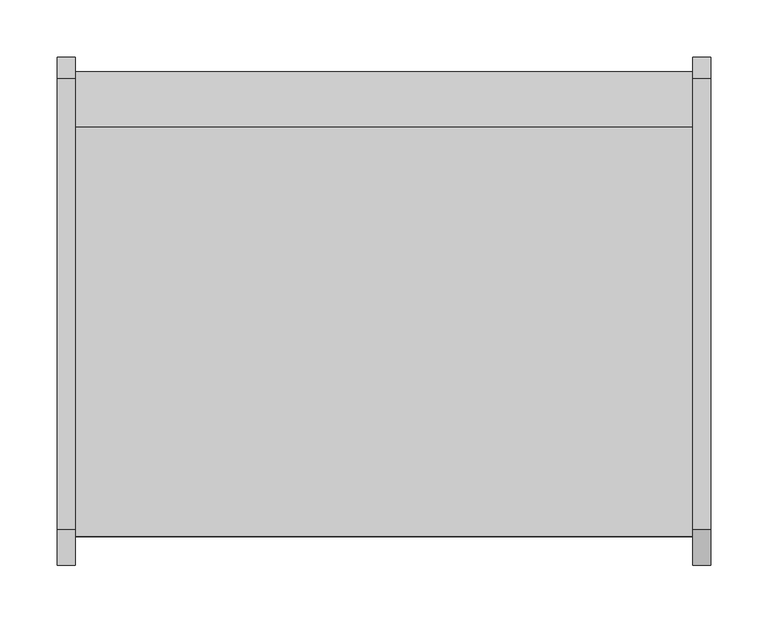
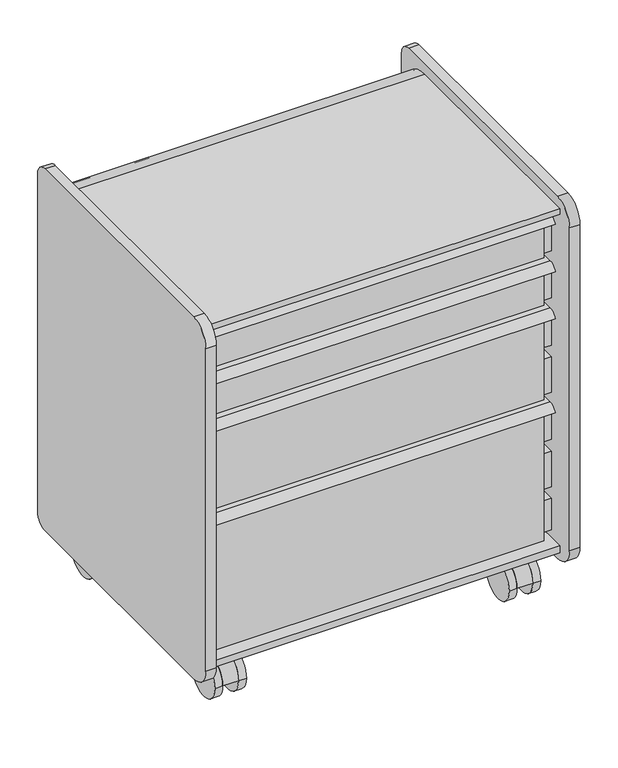
"""IFC4 building model written with IfcOpenShell, lengths in millimetres: furniture geometry."""

import ifcopenshell
import ifcopenshell.guid

model = None  # the IFC model being written
_history = None  # IfcOwnerHistory: only IFC2X3 demands one
_inside = {}  # id of a spatial element -> (the spatial element, [elements in it])
_under = {}  # id of a project, library or spatial element -> (it, [spatial elements below it])
_declared = {}  # id of a project -> (the project, [libraries it declares])
_typed = {}  # id of a type object -> (the type object, [elements of that type])
_made_of = {}  # id of a material, layer set ... -> (it, [elements and type objects made of it])


def new_model(schema):
    """Start an empty IFC model of exactly this schema.

    Asked for "IFC4X3", IfcOpenShell would pick the latest addendum, in which some entities
    have other attributes; the version numbers below select the first issue.
    IFC2X3 requires an IfcOwnerHistory on every rooted entity: one is made here for all.
    """
    global model, _history
    if schema == "IFC4X3":
        model = ifcopenshell.file(schema_version=(4, 3, 0, 0))
    else:
        model = ifcopenshell.file(schema=schema)
    _inside.clear()
    _under.clear()
    _declared.clear()
    _typed.clear()
    _made_of.clear()
    _history = None
    if model.schema == "IFC2X3":
        org = make("IfcOrganization", Name="unknown")
        user = make(
            "IfcPersonAndOrganization",
            ThePerson=make("IfcPerson", FamilyName="unknown"),
            TheOrganization=org,
        )
        app = make(
            "IfcApplication",
            ApplicationDeveloper=org,
            Version="unknown",
            ApplicationFullName="unknown",
            ApplicationIdentifier="unknown",
        )
        _history = make(
            "IfcOwnerHistory",
            OwningUser=user,
            OwningApplication=app,
            ChangeAction="ADDED",
            CreationDate=0,
        )
    return model


def make(cls, **values):
    """One entity of the class cls with the attributes given. An attribute that is None is left unset."""
    return model.create_entity(
        cls, **{name: value for name, value in values.items() if value is not None}
    )


def rooted(cls, **values):
    """An entity with a GlobalId (a new one), such as an element, a storey or a relation."""
    return make(cls, GlobalId=ifcopenshell.guid.new(), OwnerHistory=_history, **values)


def si_unit(unit_type, name, prefix=None):
    """IfcSIUnit, for example si_unit("LENGTHUNIT", "METRE", prefix="MILLI")."""
    return make("IfcSIUnit", UnitType=unit_type, Prefix=prefix, Name=name)


def assignment(units):
    """IfcUnitAssignment: the units of a project."""
    return None if units is None else make("IfcUnitAssignment", Units=units)


def point(xyz):
    """IfcCartesianPoint."""
    return None if xyz is None else make("IfcCartesianPoint", Coordinates=xyz)


def direction(xyz):
    """IfcDirection."""
    return None if xyz is None else make("IfcDirection", DirectionRatios=xyz)


def frame(location, z_axis=None, x_axis=None):
    """IfcAxis2Placement3D, a coordinate frame: its origin and axes. An axis left out is left unset."""
    return make(
        "IfcAxis2Placement3D",
        Location=point(location),
        Axis=direction(z_axis),
        RefDirection=direction(x_axis),
    )


def frame_2d(location, x_axis=None):
    """IfcAxis2Placement2D, a coordinate frame in the plane: its origin and x axis."""
    return make(
        "IfcAxis2Placement2D", Location=point(location), RefDirection=direction(x_axis)
    )


def origin():
    """The frame at (0, 0, 0) with its axes left unset."""
    return frame((0.0, 0.0, 0.0))


def place(relative_to, where):
    """IfcLocalPlacement: puts the frame where relative to a parent placement (None: the world)."""
    return make(
        "IfcLocalPlacement", PlacementRelTo=relative_to, RelativePlacement=where
    )


def context(
    kind, dimensions, precision=None, world=None, true_north=None, identifier=None
):
    """IfcGeometricRepresentationContext, for example the 3D "Model" context."""
    return make(
        "IfcGeometricRepresentationContext",
        ContextIdentifier=identifier,
        ContextType=kind,
        CoordinateSpaceDimension=dimensions,
        Precision=precision,
        WorldCoordinateSystem=world,
        TrueNorth=true_north,
    )


def project(units=None, contexts=None):
    """IfcProject with its units and contexts."""
    return rooted(
        "IfcProject",
        Name="project",
        RepresentationContexts=contexts,
        UnitsInContext=assignment(units),
    )


def spatial(cls, under=None, at=None, **own):
    """A site, building, storey or space (cls), placed at a placement, below another one or the project."""
    s = rooted(cls, ObjectPlacement=at, **own)
    if under is not None:
        _under.setdefault(under.id(), (under, []))[1].append(s)
    return s


def polyline(points):
    """IfcPolyline through the points."""
    return make("IfcPolyline", Points=[point(p) for p in points])


def circle_curve(where, radius):
    """IfcCircle in the frame where."""
    return make("IfcCircle", Position=where, Radius=radius)


def trimmed(basis, trim1, trim2, sense, master):
    """IfcTrimmedCurve: the piece of a basis curve between two trims."""
    return make(
        "IfcTrimmedCurve",
        BasisCurve=basis,
        Trim1=trim1,
        Trim2=trim2,
        SenseAgreement=sense,
        MasterRepresentation=master,
    )


def segment(curve, same_sense, transition):
    """IfcCompositeCurveSegment."""
    return make(
        "IfcCompositeCurveSegment",
        Transition=transition,
        SameSense=same_sense,
        ParentCurve=curve,
    )


def composite_curve(segments, self_intersect=None):
    """IfcCompositeCurve: segments joined end to end."""
    return make("IfcCompositeCurve", Segments=segments, SelfIntersect=self_intersect)


def outline(outer, holes=None, kind="AREA"):
    """IfcArbitraryClosedProfileDef: a profile drawn as a closed curve; with holes, ...WithVoids."""
    if holes is None:
        return make("IfcArbitraryClosedProfileDef", ProfileType=kind, OuterCurve=outer)
    return make(
        "IfcArbitraryProfileDefWithVoids",
        ProfileType=kind,
        OuterCurve=outer,
        InnerCurves=holes,
    )


def extrude(swept, where, along, depth):
    """IfcExtrudedAreaSolid: the profile swept, set in the frame where, extruded along a direction by depth."""
    return make(
        "IfcExtrudedAreaSolid",
        SweptArea=swept,
        Position=where,
        ExtrudedDirection=direction(along),
        Depth=depth,
    )


def shape(context_of_items, identifier, shape_type, items):
    """IfcShapeRepresentation: the items that make up one representation, for example the "Body"."""
    return make(
        "IfcShapeRepresentation",
        ContextOfItems=context_of_items,
        RepresentationIdentifier=identifier,
        RepresentationType=shape_type,
        Items=items,
    )


def source(mapping_origin, context_of_items, identifier, shape_type, items):
    """IfcRepresentationMap: a shape defined once, which mapped items show again and again."""
    return make(
        "IfcRepresentationMap",
        MappingOrigin=mapping_origin,
        MappedRepresentation=shape(context_of_items, identifier, shape_type, items),
    )


def transform(
    local_origin,
    x_axis=None,
    y_axis=None,
    z_axis=None,
    scale=None,
    scale2=None,
    scale3=None,
    uniform=True,
):
    """IfcCartesianTransformationOperator3D, or its non-uniform kind. x_axis, y_axis, z_axis: its Axis1, 2, 3."""
    if uniform:
        return make(
            "IfcCartesianTransformationOperator3D",
            Axis1=direction(x_axis),
            Axis2=direction(y_axis),
            LocalOrigin=point(local_origin),
            Scale=scale,
            Axis3=direction(z_axis),
        )
    return make(
        "IfcCartesianTransformationOperator3DnonUniform",
        Axis1=direction(x_axis),
        Axis2=direction(y_axis),
        LocalOrigin=point(local_origin),
        Scale=scale,
        Axis3=direction(z_axis),
        Scale2=scale2,
        Scale3=scale3,
    )


def mapped(mapping_source, mapping_target):
    """IfcMappedItem: shows the shape of a source again, moved by a transform."""
    return make(
        "IfcMappedItem", MappingSource=mapping_source, MappingTarget=mapping_target
    )


def made_of(thing, what):
    """Note that an element or type object is made of a material, layer set ...; save() writes the relation."""
    if what is not None:
        _made_of.setdefault(what.id(), (what, []))[1].append(thing)
    return thing


def element(
    cls,
    number,
    at=None,
    inside=None,
    cuts=None,
    type_object=None,
    material=None,
    context=None,
    identifier="Body",
    shape_type=None,
    held_by="IfcProductDefinitionShape",
    body=None,
    shapes=None,
    **own,
):
    """One element of the class cls, such as IfcWall. Its Tag is "e" and its number.

    at: its placement. inside: the storey or other place that contains it. cuts: it is an
    opening in that element (IfcRelVoidsElement). A single representation is given by context,
    identifier, shape_type and body (its items); several are given by shapes. held_by: the class
    of the entity that holds the representations. save() writes the other relations.
    """
    e = rooted(cls, Tag="e%d" % number, ObjectPlacement=at, **own)
    if body is not None:
        shapes = [shape(context, identifier, shape_type, body)]
    if shapes is not None:
        e.Representation = make(held_by, Representations=shapes)
    if inside is not None:
        _inside.setdefault(inside.id(), (inside, []))[1].append(e)
    if cuts is not None:
        rooted(
            "IfcRelVoidsElement", RelatingBuildingElement=cuts, RelatedOpeningElement=e
        )
    if type_object is not None:
        _typed.setdefault(type_object.id(), (type_object, []))[1].append(e)
    return made_of(e, material)


def aggregate(whole, parts):
    """IfcRelAggregates: a whole, such as a stair, and the parts it consists of."""
    return rooted("IfcRelAggregates", RelatingObject=whole, RelatedObjects=parts)


def save(model, path):
    """Write the relations noted so far, then the file.

    IfcRelAggregates (storeys below a building ...), IfcRelContainedInSpatialStructure (elements
    in a storey), IfcRelDefinesByType, IfcRelAssociatesMaterial and IfcRelDeclares: one each for
    every whole, place, type object, material and project.
    """
    for whole, parts in _under.values():
        aggregate(whole, parts)
    for where, things in _inside.values():
        rooted(
            "IfcRelContainedInSpatialStructure",
            RelatedElements=things,
            RelatingStructure=where,
        )
    for kind, things in _typed.values():
        rooted("IfcRelDefinesByType", RelatedObjects=things, RelatingType=kind)
    for what, things in _made_of.values():
        rooted("IfcRelAssociatesMaterial", RelatedObjects=things, RelatingMaterial=what)
    for by, libraries in _declared.values():
        rooted("IfcRelDeclares", RelatingContext=by, RelatedDefinitions=libraries)
    model.write(path)


def plane_surface(at):
    """IfcPlane: the flat surface through the origin of the frame at, square to its z axis."""
    return make("IfcPlane", Position=at)


def cylinder_surface(at, radius):
    """IfcCylindricalSurface: all points at the distance radius from the z axis of the frame at."""
    return make("IfcCylindricalSurface", Position=at, Radius=radius)


def revolved_surface(curve, axis_point, axis_direction):
    """IfcSurfaceOfRevolution: the curve turned about the line through axis_point along axis_direction."""
    return make(
        "IfcSurfaceOfRevolution",
        SweptCurve=make("IfcArbitraryOpenProfileDef", ProfileType="CURVE", Curve=curve),
        AxisPosition=make("IfcAxis1Placement", Location=point(axis_point), Axis=direction(axis_direction)),
    )


def advanced_brep(points, edges, surfaces, faces):
    """IfcAdvancedBrep: a solid bounded by faces that lie on surfaces and meet in shared edges.

    An edge is (start, end): straight between two places in points (the first is 0);
    or (start, end, curve); or (start, end, curve, False) where it runs against its curve.
    A face is (place in surfaces, loops), or (place, loops, False) where it looks against
    its surface's normal. A loop lists edges by number (the first is 1), with a minus sign
    where the edge is run from its end to its start. The first loop is the outer one.
    """
    corners = [point(p) for p in points]
    vertices = [make("IfcVertexPoint", VertexGeometry=c) for c in corners]
    made = []
    for start, end, *more in edges:
        made.append(
            make(
                "IfcEdgeCurve",
                EdgeStart=vertices[start],
                EdgeEnd=vertices[end],
                EdgeGeometry=more[0] if more else make("IfcPolyline", Points=[corners[start], corners[end]]),
                SameSense=more[1] if len(more) > 1 else True,
            )
        )
    hull = []
    for where, loops, *sense in faces:
        bounds = []
        for j, loop in enumerate(loops):
            ring = [make("IfcOrientedEdge", EdgeElement=made[abs(k) - 1], Orientation=k > 0) for k in loop]
            bounds.append(
                make(
                    "IfcFaceOuterBound" if j == 0 else "IfcFaceBound",
                    Bound=make("IfcEdgeLoop", EdgeList=ring),
                    Orientation=True,
                )
            )
        hull.append(make("IfcAdvancedFace", Bounds=bounds, FaceSurface=surfaces[where], SameSense=sense[0] if sense else True))
    return make("IfcAdvancedBrep", Outer=make("IfcClosedShell", CfsFaces=hull))


def furniture_50ad54ef(model_context):
    return source(origin(), model_context, "Body", "SolidModel", [
        advanced_brep(
        [(-257.175, -398.4625, 87.3125), (257.175, -398.4625, 87.3125), (257.175, -398.4625, 303.2125), (263.525, -398.4625, 303.2125), (263.525, -398.4625, 309.5196341), (-263.525, -398.4625, 309.5196341), (-263.525, -398.4625, 303.2125), (-257.175, -398.4625, 303.2125), (257.175, -36.5125, 87.3125), (-257.175, -36.5125, 87.3125), (-257.175, -36.5125, 303.2125), (257.175, -36.5125, 303.2125), (263.525, -403.8570544, 312.7375), (263.525, -26.9875, 312.7375), (-263.525, -26.9875, 312.7375), (-263.525, -403.8570544, 312.7375), (244.475, -390.525, 312.7375), (-244.475, -390.525, 312.7375), (-244.475, -46.0375, 312.7375), (244.475, -46.0375, 312.7375), (263.525, -417.5125, 303.2125), (263.525, -414.0780601, 303.2125), (263.525, -402.7214815, 309.5196341), (263.525, -26.9875, 303.2125), (-263.525, -26.9875, 303.2125), (-263.525, -402.7214815, 309.5196341), (-263.525, -414.0780601, 303.2125), (-263.525, -417.5125, 303.2125), (-244.475, -390.525, 90.3386719), (244.475, -390.525, 90.3386719), (244.475, -46.0375, 90.3386719), (-244.475, -46.0375, 90.3386719)],
        [
            (0, 1),
            (1, 2),
            (2, 3),
            (3, 4),
            (4, 5),
            (5, 6),
            (6, 7),
            (7, 0),
            (8, 9),
            (9, 10),
            (10, 11),
            (11, 8),
            (0, 9),
            (8, 1),
            (11, 2),
            (12, 13),
            (13, 14),
            (14, 15),
            (15, 12),
            (16, 17),
            (17, 18),
            (18, 19),
            (19, 16),
            (7, 10),
            (12, 20, circle_curve(frame((263.525, -403.8570544, 298.1864859), z_axis=(1.0, 0.0, 0.0), x_axis=(0.0, 1.0, 0.0)), 14.5510141)),
            (20, 21),
            (21, 22, circle_curve(frame((263.525, -403.8570544, 298.1864859), z_axis=(-1.0, 0.0, 0.0), x_axis=(0.0, 1.0, 0.0)), 11.3898979)),
            (22, 4),
            (3, 23),
            (23, 13),
            (14, 24),
            (24, 6),
            (5, 25),
            (25, 26, circle_curve(frame((-263.525, -403.8570544, 298.1864859), z_axis=(1.0, 0.0, 0.0), x_axis=(0.0, 1.0, 0.0)), 11.3898979)),
            (26, 27),
            (27, 15, circle_curve(frame((-263.525, -403.8570544, 298.1864859), z_axis=(-1.0, 0.0, 0.0), x_axis=(0.0, 1.0, 0.0)), 14.5510141)),
            (27, 20),
            (26, 21),
            (25, 22),
            (24, 23),
            (28, 29),
            (29, 30),
            (30, 31),
            (31, 28),
            (28, 17),
            (16, 29),
            (19, 30),
            (18, 31),
        ],
        [
            plane_surface(frame((257.175, -398.4625, 87.3125), z_axis=(0.0, -1.0, 0.0), x_axis=(1.0, 0.0, 0.0))),
            plane_surface(frame((257.175, -36.5125, 87.3125), z_axis=(0.0, 1.0, 0.0), x_axis=(-1.0, 0.0, 0.0))),
            plane_surface(frame((-257.175, -398.4625, 87.3125), z_axis=(0.0, 0.0, -1.0), x_axis=(0.0, 1.0, 0.0))),
            plane_surface(frame((257.175, -398.4625, 87.3125), z_axis=(1.0, 0.0, 0.0), x_axis=(0.0, 1.0, 0.0))),
            plane_surface(frame((257.175, -398.4625, 312.7375), z_axis=(0.0, 0.0, 1.0), x_axis=(0.0, 1.0, 0.0))),
            plane_surface(frame((-257.175, -398.4625, 312.7375), z_axis=(-1.0, 0.0, 0.0), x_axis=(0.0, 1.0, 0.0))),
            plane_surface(frame((263.525, -26.9875, 312.7375), z_axis=(1.0, 0.0, 0.0), x_axis=(0.0, -1.0, 0.0))),
            plane_surface(frame((-263.525, -26.9875, 312.7375), z_axis=(-1.0, 0.0, 0.0), x_axis=(0.0, 1.0, 0.0))),
            cylinder_surface(frame((-263.525, -403.8570544, 298.1864859), z_axis=(1.0, 0.0, 0.0), x_axis=(0.0, 1.0, 0.0)), 14.5510141),
            plane_surface(frame((263.525, -417.5125, 303.2125), z_axis=(0.0, 0.0, -1.0), x_axis=(-1.0, 0.0, 0.0))),
            revolved_surface(polyline([(-263.525, -392.4671565, 298.1864859), (263.525, -392.4671565, 298.1864859)]), (-263.525, -403.8570544, 298.1864859), (-1.0, 0.0, 0.0)),
            plane_surface(frame((263.525, -402.7214815, 309.5196341), z_axis=(0.0, 0.0, -1.0), x_axis=(-1.0, 0.0, 0.0))),
            plane_surface(frame((263.525, -398.4625, 303.2125), z_axis=(0.0, 0.0, -1.0), x_axis=(-1.0, 0.0, 0.0))),
            plane_surface(frame((263.525, -26.9875, 303.2125), z_axis=(0.0, 1.0, 0.0), x_axis=(-1.0, 0.0, 0.0))),
            plane_surface(frame((244.475, -390.525, 90.3386719), z_axis=(0.0, 0.0, 1.0), x_axis=(-1.0, 0.0, 0.0))),
            plane_surface(frame((-244.475, -390.525, 312.7375), z_axis=(0.0, 1.0, 0.0), x_axis=(0.0, 0.0, -1.0))),
            plane_surface(frame((244.475, -390.525, 312.7375), z_axis=(-1.0, 0.0, 0.0), x_axis=(0.0, 0.0, -1.0))),
            plane_surface(frame((244.475, -46.0375, 312.7375), z_axis=(0.0, -1.0, 0.0), x_axis=(0.0, 0.0, -1.0))),
            plane_surface(frame((-244.475, -46.0375, 312.7375), z_axis=(1.0, 0.0, 0.0), x_axis=(0.0, 0.0, -1.0))),
        ],
        [
            (0, [[1, 2, 3, 4, 5, 6, 7, 8]]),
            (1, [[9, 10, 11, 12]]),
            (2, [[-1, 13, -9, 14]]),
            (3, [[-14, -12, 15, -2]]),
            (4, [[16, 17, 18, 19], [20, 21, 22, 23]]),
            (5, [[-13, -8, 24, -10]]),
            (6, [[-16, 25, 26, 27, 28, -4, 29, 30]]),
            (7, [[31, 32, -6, 33, 34, 35, 36, -18]]),
            (8, [[-25, -19, -36, 37]]),
            (9, [[-26, -37, -35, 38]]),
            (10, [[-27, -38, -34, 39]]),
            (11, [[-28, -39, -33, -5]]),
            (12, [[-29, -3, -15, -11, -24, -7, -32, 40]]),
            (13, [[-30, -40, -31, -17]]),
            (14, [[41, 42, 43, 44]]),
            (15, [[-41, 45, -20, 46]]),
            (16, [[-42, -46, -23, 47]]),
            (17, [[-43, -47, -22, 48]]),
            (18, [[-44, -48, -21, -45]]),
        ],
    ),
        advanced_brep(
        [(-257.175, -398.4625, 315.595), (257.175, -398.4625, 315.595), (257.175, -398.4625, 455.295), (263.525, -398.4625, 455.295), (263.525, -398.4625, 461.6021341), (-263.525, -398.4625, 461.6021341), (-263.525, -398.4625, 455.295), (-257.175, -398.4625, 455.295), (257.175, -36.5125, 315.595), (-257.175, -36.5125, 315.595), (-257.175, -36.5125, 455.295), (257.175, -36.5125, 455.295), (263.525, -403.8570544, 464.82), (263.525, -26.9875, 464.82), (-263.525, -26.9875, 464.82), (-263.525, -403.8570544, 464.82), (244.475, -390.525, 464.82), (-244.475, -390.525, 464.82), (-244.475, -46.0375, 464.82), (244.475, -46.0375, 464.82), (263.525, -417.5125, 455.295), (263.525, -414.0780601, 455.295), (263.525, -402.7214815, 461.6021341), (263.525, -26.9875, 455.295), (-263.525, -26.9875, 455.295), (-263.525, -402.7214815, 461.6021341), (-263.525, -414.0780601, 455.295), (-263.525, -417.5125, 455.295), (-244.475, -390.525, 318.6211719), (244.475, -390.525, 318.6211719), (244.475, -46.0375, 318.6211719), (-244.475, -46.0375, 318.6211719)],
        [
            (0, 1),
            (1, 2),
            (2, 3),
            (3, 4),
            (4, 5),
            (5, 6),
            (6, 7),
            (7, 0),
            (8, 9),
            (9, 10),
            (10, 11),
            (11, 8),
            (0, 9),
            (8, 1),
            (11, 2),
            (12, 13),
            (13, 14),
            (14, 15),
            (15, 12),
            (16, 17),
            (17, 18),
            (18, 19),
            (19, 16),
            (7, 10),
            (12, 20, circle_curve(frame((263.525, -403.8570544, 450.2689859), z_axis=(1.0, 0.0, 0.0), x_axis=(0.0, 1.0, 0.0)), 14.5510141)),
            (20, 21),
            (21, 22, circle_curve(frame((263.525, -403.8570544, 450.2689859), z_axis=(-1.0, 0.0, 0.0), x_axis=(0.0, 1.0, 0.0)), 11.3898979)),
            (22, 4),
            (3, 23),
            (23, 13),
            (14, 24),
            (24, 6),
            (5, 25),
            (25, 26, circle_curve(frame((-263.525, -403.8570544, 450.2689859), z_axis=(1.0, 0.0, 0.0), x_axis=(0.0, 1.0, 0.0)), 11.3898979)),
            (26, 27),
            (27, 15, circle_curve(frame((-263.525, -403.8570544, 450.2689859), z_axis=(-1.0, 0.0, 0.0), x_axis=(0.0, 1.0, 0.0)), 14.5510141)),
            (27, 20),
            (26, 21),
            (25, 22),
            (24, 23),
            (28, 29),
            (29, 30),
            (30, 31),
            (31, 28),
            (28, 17),
            (16, 29),
            (19, 30),
            (18, 31),
        ],
        [
            plane_surface(frame((257.175, -398.4625, 315.595), z_axis=(0.0, -1.0, 0.0), x_axis=(1.0, 0.0, 0.0))),
            plane_surface(frame((257.175, -36.5125, 315.595), z_axis=(0.0, 1.0, 0.0), x_axis=(-1.0, 0.0, 0.0))),
            plane_surface(frame((-257.175, -398.4625, 315.595), z_axis=(0.0, 0.0, -1.0), x_axis=(0.0, 1.0, 0.0))),
            plane_surface(frame((257.175, -398.4625, 315.595), z_axis=(1.0, 0.0, 0.0), x_axis=(0.0, 1.0, 0.0))),
            plane_surface(frame((257.175, -398.4625, 464.82), z_axis=(0.0, 0.0, 1.0), x_axis=(0.0, 1.0, 0.0))),
            plane_surface(frame((-257.175, -398.4625, 464.82), z_axis=(-1.0, 0.0, 0.0), x_axis=(0.0, 1.0, 0.0))),
            plane_surface(frame((263.525, -26.9875, 464.82), z_axis=(1.0, 0.0, 0.0), x_axis=(0.0, -1.0, 0.0))),
            plane_surface(frame((-263.525, -26.9875, 464.82), z_axis=(-1.0, 0.0, 0.0), x_axis=(0.0, 1.0, 0.0))),
            cylinder_surface(frame((-263.525, -403.8570544, 450.2689859), z_axis=(1.0, 0.0, 0.0), x_axis=(0.0, 1.0, 0.0)), 14.5510141),
            plane_surface(frame((263.525, -417.5125, 455.295), z_axis=(0.0, -7.0547608219938086e-12, -1.0), x_axis=(-1.0, 0.0, 0.0))),
            revolved_surface(polyline([(-263.525, -392.4671565, 450.2689859), (263.525, -392.4671565, 450.2689859)]), (-263.525, -403.8570544, 450.2689859), (-1.0, 0.0, 0.0)),
            plane_surface(frame((263.525, -402.7214815, 461.6021341), z_axis=(0.0, -1.7543591576202754e-11, -1.0), x_axis=(-1.0, 0.0, 0.0))),
            plane_surface(frame((263.525, -398.4625, 455.295), z_axis=(0.0, 0.0, -1.0), x_axis=(-1.0, 0.0, 0.0))),
            plane_surface(frame((263.525, -26.9875, 455.295), z_axis=(0.0, 1.0, 0.0), x_axis=(-1.0, 0.0, 0.0))),
            plane_surface(frame((244.475, -390.525, 318.6211719), z_axis=(0.0, 0.0, 1.0), x_axis=(-1.0, 0.0, 0.0))),
            plane_surface(frame((-244.475, -390.525, 464.82), z_axis=(0.0, 1.0, 0.0), x_axis=(0.0, 0.0, -1.0))),
            plane_surface(frame((244.475, -390.525, 464.82), z_axis=(-1.0, 0.0, 0.0), x_axis=(0.0, 0.0, -1.0))),
            plane_surface(frame((244.475, -46.0375, 464.82), z_axis=(0.0, -1.0, 0.0), x_axis=(0.0, 0.0, -1.0))),
            plane_surface(frame((-244.475, -46.0375, 464.82), z_axis=(1.0, 0.0, 0.0), x_axis=(0.0, 0.0, -1.0))),
        ],
        [
            (0, [[1, 2, 3, 4, 5, 6, 7, 8]]),
            (1, [[9, 10, 11, 12]]),
            (2, [[-1, 13, -9, 14]]),
            (3, [[-14, -12, 15, -2]]),
            (4, [[16, 17, 18, 19], [20, 21, 22, 23]]),
            (5, [[-13, -8, 24, -10]]),
            (6, [[-16, 25, 26, 27, 28, -4, 29, 30]]),
            (7, [[31, 32, -6, 33, 34, 35, 36, -18]]),
            (8, [[-25, -19, -36, 37]]),
            (9, [[-26, -37, -35, 38]]),
            (10, [[-27, -38, -34, 39]]),
            (11, [[-28, -39, -33, -5]]),
            (12, [[-29, -3, -15, -11, -24, -7, -32, 40]]),
            (13, [[-30, -40, -31, -17]]),
            (14, [[41, 42, 43, 44]]),
            (15, [[-41, 45, -20, 46]]),
            (16, [[-42, -46, -23, 47]]),
            (17, [[-43, -47, -22, 48]]),
            (18, [[-44, -48, -21, -45]]),
        ],
    ),
        advanced_brep(
        [(-257.175, -398.4625, 467.995), (257.175, -398.4625, 467.995), (257.175, -398.4625, 531.495), (263.525, -398.4625, 531.495), (263.525, -398.4625, 537.8021341), (-263.525, -398.4625, 537.8021341), (-263.525, -398.4625, 531.495), (-257.175, -398.4625, 531.495), (257.175, -36.5125, 467.995), (-257.175, -36.5125, 467.995), (-257.175, -36.5125, 531.495), (257.175, -36.5125, 531.495), (263.525, -403.8570544, 541.02), (263.525, -26.9875, 541.02), (-263.525, -26.9875, 541.02), (-263.525, -403.8570544, 541.02), (244.475, -390.525, 541.02), (-244.475, -390.525, 541.02), (-244.475, -46.0375, 541.02), (244.475, -46.0375, 541.02), (263.525, -417.5125, 531.495), (263.525, -414.0780601, 531.495), (263.525, -402.7214815, 537.8021341), (263.525, -26.9875, 531.495), (-263.525, -26.9875, 531.495), (-263.525, -402.7214815, 537.8021341), (-263.525, -414.0780601, 531.495), (-263.525, -417.5125, 531.495), (-244.475, -390.525, 471.0211719), (244.475, -390.525, 471.0211719), (244.475, -46.0375, 471.0211719), (-244.475, -46.0375, 471.0211719)],
        [
            (0, 1),
            (1, 2),
            (2, 3),
            (3, 4),
            (4, 5),
            (5, 6),
            (6, 7),
            (7, 0),
            (8, 9),
            (9, 10),
            (10, 11),
            (11, 8),
            (0, 9),
            (8, 1),
            (11, 2),
            (12, 13),
            (13, 14),
            (14, 15),
            (15, 12),
            (16, 17),
            (17, 18),
            (18, 19),
            (19, 16),
            (7, 10),
            (12, 20, circle_curve(frame((263.525, -403.8570544, 526.4689859), z_axis=(1.0, 0.0, 0.0), x_axis=(0.0, 1.0, 0.0)), 14.5510141)),
            (20, 21),
            (21, 22, circle_curve(frame((263.525, -403.8570544, 526.4689859), z_axis=(-1.0, 0.0, 0.0), x_axis=(0.0, 1.0, 0.0)), 11.3898979)),
            (22, 4),
            (3, 23),
            (23, 13),
            (14, 24),
            (24, 6),
            (5, 25),
            (25, 26, circle_curve(frame((-263.525, -403.8570544, 526.4689859), z_axis=(1.0, 0.0, 0.0), x_axis=(0.0, 1.0, 0.0)), 11.3898979)),
            (26, 27),
            (27, 15, circle_curve(frame((-263.525, -403.8570544, 526.4689859), z_axis=(-1.0, 0.0, 0.0), x_axis=(0.0, 1.0, 0.0)), 14.5510141)),
            (27, 20),
            (26, 21),
            (25, 22),
            (24, 23),
            (28, 29),
            (29, 30),
            (30, 31),
            (31, 28),
            (28, 17),
            (16, 29),
            (19, 30),
            (18, 31),
        ],
        [
            plane_surface(frame((257.175, -398.4625, 467.995), z_axis=(0.0, -1.0, 0.0), x_axis=(1.0, 0.0, 0.0))),
            plane_surface(frame((257.175, -36.5125, 467.995), z_axis=(0.0, 1.0, 0.0), x_axis=(-1.0, 0.0, 0.0))),
            plane_surface(frame((-257.175, -398.4625, 467.995), z_axis=(0.0, 0.0, -1.0), x_axis=(0.0, 1.0, 0.0))),
            plane_surface(frame((257.175, -398.4625, 467.995), z_axis=(1.0, 0.0, 0.0), x_axis=(0.0, 1.0, 0.0))),
            plane_surface(frame((257.175, -398.4625, 541.02), z_axis=(0.0, 0.0, 1.0), x_axis=(0.0, 1.0, 0.0))),
            plane_surface(frame((-257.175, -398.4625, 541.02), z_axis=(-1.0, 0.0, 0.0), x_axis=(0.0, 1.0, 0.0))),
            plane_surface(frame((263.525, -26.9875, 541.02), z_axis=(1.0, 0.0, 0.0), x_axis=(0.0, -1.0, 0.0))),
            plane_surface(frame((-263.525, -26.9875, 541.02), z_axis=(-1.0, 0.0, 0.0), x_axis=(0.0, 1.0, 0.0))),
            cylinder_surface(frame((-263.525, -403.8570544, 526.4689859), z_axis=(1.0, 0.0, 0.0), x_axis=(0.0, 1.0, 0.0)), 14.5510141),
            plane_surface(frame((263.525, -417.5125, 531.495), z_axis=(0.0, -7.09417289362422e-12, -1.0), x_axis=(-1.0, 0.0, 0.0))),
            revolved_surface(polyline([(-263.525, -392.4671565, 526.4689859), (263.525, -392.4671565, 526.4689859)]), (-263.525, -403.8570544, 526.4689859), (-1.0, 0.0, 0.0)),
            plane_surface(frame((263.525, -402.7214815, 537.8021341), z_axis=(0.0, -1.7607155313797832e-11, -1.0), x_axis=(-1.0, 0.0, 0.0))),
            plane_surface(frame((263.525, -398.4625, 531.495), z_axis=(0.0, 0.0, -1.0), x_axis=(-1.0, 0.0, 0.0))),
            plane_surface(frame((263.525, -26.9875, 531.495), z_axis=(0.0, 1.0, 0.0), x_axis=(-1.0, 0.0, 0.0))),
            plane_surface(frame((244.475, -390.525, 471.0211719), z_axis=(0.0, 0.0, 1.0), x_axis=(-1.0, 0.0, 0.0))),
            plane_surface(frame((-244.475, -390.525, 541.02), z_axis=(0.0, 1.0, 0.0), x_axis=(0.0, 0.0, -1.0))),
            plane_surface(frame((244.475, -390.525, 541.02), z_axis=(-1.0, 0.0, 0.0), x_axis=(0.0, 0.0, -1.0))),
            plane_surface(frame((244.475, -46.0375, 541.02), z_axis=(0.0, -1.0, 0.0), x_axis=(0.0, 0.0, -1.0))),
            plane_surface(frame((-244.475, -46.0375, 541.02), z_axis=(1.0, 0.0, 0.0), x_axis=(0.0, 0.0, -1.0))),
        ],
        [
            (0, [[1, 2, 3, 4, 5, 6, 7, 8]]),
            (1, [[9, 10, 11, 12]]),
            (2, [[-1, 13, -9, 14]]),
            (3, [[-14, -12, 15, -2]]),
            (4, [[16, 17, 18, 19], [20, 21, 22, 23]]),
            (5, [[-13, -8, 24, -10]]),
            (6, [[-16, 25, 26, 27, 28, -4, 29, 30]]),
            (7, [[31, 32, -6, 33, 34, 35, 36, -18]]),
            (8, [[-25, -19, -36, 37]]),
            (9, [[-26, -37, -35, 38]]),
            (10, [[-27, -38, -34, 39]]),
            (11, [[-28, -39, -33, -5]]),
            (12, [[-29, -3, -15, -11, -24, -7, -32, 40]]),
            (13, [[-30, -40, -31, -17]]),
            (14, [[41, 42, 43, 44]]),
            (15, [[-41, 45, -20, 46]]),
            (16, [[-42, -46, -23, 47]]),
            (17, [[-43, -47, -22, 48]]),
            (18, [[-44, -48, -21, -45]]),
        ],
    ),
        advanced_brep(
        [(-257.175, -398.4625, 544.195), (257.175, -398.4625, 544.195), (257.175, -398.4625, 607.695), (263.525, -398.4625, 607.695), (263.525, -398.4625, 614.0021341), (-263.525, -398.4625, 614.0021341), (-263.525, -398.4625, 607.695), (-257.175, -398.4625, 607.695), (257.175, -36.5125, 544.195), (-257.175, -36.5125, 544.195), (-257.175, -36.5125, 607.695), (257.175, -36.5125, 607.695), (263.525, -403.8570544, 617.22), (263.525, -26.9875, 617.22), (-263.525, -26.9875, 617.22), (-263.525, -403.8570544, 617.22), (244.475, -390.525, 617.22), (-244.475, -390.525, 617.22), (-244.475, -46.0375, 617.22), (244.475, -46.0375, 617.22), (263.525, -417.5125, 607.695), (263.525, -414.0780601, 607.695), (263.525, -402.7214815, 614.0021341), (263.525, -26.9875, 607.695), (-263.525, -26.9875, 607.695), (-263.525, -402.7214815, 614.0021341), (-263.525, -414.0780601, 607.695), (-263.525, -417.5125, 607.695), (-244.475, -390.525, 547.2211719), (244.475, -390.525, 547.2211719), (244.475, -46.0375, 547.2211719), (-244.475, -46.0375, 547.2211719)],
        [
            (0, 1),
            (1, 2),
            (2, 3),
            (3, 4),
            (4, 5),
            (5, 6),
            (6, 7),
            (7, 0),
            (8, 9),
            (9, 10),
            (10, 11),
            (11, 8),
            (0, 9),
            (8, 1),
            (11, 2),
            (12, 13),
            (13, 14),
            (14, 15),
            (15, 12),
            (16, 17),
            (17, 18),
            (18, 19),
            (19, 16),
            (7, 10),
            (12, 20, circle_curve(frame((263.525, -403.8570544, 602.6689859), z_axis=(1.0, 0.0, 0.0), x_axis=(0.0, 1.0, 0.0)), 14.5510141)),
            (20, 21),
            (21, 22, circle_curve(frame((263.525, -403.8570544, 602.6689859), z_axis=(-1.0, 0.0, 0.0), x_axis=(0.0, 1.0, 0.0)), 11.3898979)),
            (22, 4),
            (3, 23),
            (23, 13),
            (14, 24),
            (24, 6),
            (5, 25),
            (25, 26, circle_curve(frame((-263.525, -403.8570544, 602.6689859), z_axis=(1.0, 0.0, 0.0), x_axis=(0.0, 1.0, 0.0)), 11.3898979)),
            (26, 27),
            (27, 15, circle_curve(frame((-263.525, -403.8570544, 602.6689859), z_axis=(-1.0, 0.0, 0.0), x_axis=(0.0, 1.0, 0.0)), 14.5510141)),
            (27, 20),
            (26, 21),
            (25, 22),
            (24, 23),
            (28, 29),
            (29, 30),
            (30, 31),
            (31, 28),
            (28, 17),
            (16, 29),
            (19, 30),
            (18, 31),
        ],
        [
            plane_surface(frame((257.175, -398.4625, 544.195), z_axis=(0.0, -1.0, 0.0), x_axis=(1.0, 0.0, 0.0))),
            plane_surface(frame((257.175, -36.5125, 544.195), z_axis=(0.0, 1.0, 0.0), x_axis=(-1.0, 0.0, 0.0))),
            plane_surface(frame((-257.175, -398.4625, 544.195), z_axis=(0.0, 0.0, -1.0), x_axis=(0.0, 1.0, 0.0))),
            plane_surface(frame((257.175, -398.4625, 544.195), z_axis=(1.0, 0.0, 0.0), x_axis=(0.0, 1.0, 0.0))),
            plane_surface(frame((257.175, -398.4625, 617.22), z_axis=(0.0, 0.0, 1.0), x_axis=(0.0, 1.0, 0.0))),
            plane_surface(frame((-257.175, -398.4625, 617.22), z_axis=(-1.0, 0.0, 0.0), x_axis=(0.0, 1.0, 0.0))),
            plane_surface(frame((263.525, -26.9875, 617.22), z_axis=(1.0, 0.0, 0.0), x_axis=(0.0, -1.0, 0.0))),
            plane_surface(frame((-263.525, -26.9875, 617.22), z_axis=(-1.0, 0.0, 0.0), x_axis=(0.0, 1.0, 0.0))),
            cylinder_surface(frame((-263.525, -403.8570544, 602.6689859), z_axis=(1.0, 0.0, 0.0), x_axis=(0.0, 1.0, 0.0)), 14.5510141),
            plane_surface(frame((263.525, -417.5125, 607.695), z_axis=(0.0, -7.09417289362422e-12, -1.0), x_axis=(-1.0, 0.0, 0.0))),
            revolved_surface(polyline([(-263.525, -392.4671565, 602.6689859), (263.525, -392.4671565, 602.6689859)]), (-263.525, -403.8570544, 602.6689859), (-1.0, 0.0, 0.0)),
            plane_surface(frame((263.525, -402.7214815, 614.0021341), z_axis=(0.0, -1.7607155313797832e-11, -1.0), x_axis=(-1.0, 0.0, 0.0))),
            plane_surface(frame((263.525, -398.4625, 607.695), z_axis=(0.0, 0.0, -1.0), x_axis=(-1.0, 0.0, 0.0))),
            plane_surface(frame((263.525, -26.9875, 607.695), z_axis=(0.0, 1.0, 0.0), x_axis=(-1.0, 0.0, 0.0))),
            plane_surface(frame((244.475, -390.525, 547.2211719), z_axis=(0.0, 0.0, 1.0), x_axis=(-1.0, 0.0, 0.0))),
            plane_surface(frame((-244.475, -390.525, 617.22), z_axis=(0.0, 1.0, 0.0), x_axis=(0.0, 0.0, -1.0))),
            plane_surface(frame((244.475, -390.525, 617.22), z_axis=(-1.0, 0.0, 0.0), x_axis=(0.0, 0.0, -1.0))),
            plane_surface(frame((244.475, -46.0375, 617.22), z_axis=(0.0, -1.0, 0.0), x_axis=(0.0, 0.0, -1.0))),
            plane_surface(frame((-244.475, -46.0375, 617.22), z_axis=(1.0, 0.0, 0.0), x_axis=(0.0, 0.0, -1.0))),
        ],
        [
            (0, [[1, 2, 3, 4, 5, 6, 7, 8]]),
            (1, [[9, 10, 11, 12]]),
            (2, [[-1, 13, -9, 14]]),
            (3, [[-14, -12, 15, -2]]),
            (4, [[16, 17, 18, 19], [20, 21, 22, 23]]),
            (5, [[-13, -8, 24, -10]]),
            (6, [[-16, 25, 26, 27, 28, -4, 29, 30]]),
            (7, [[31, 32, -6, 33, 34, 35, 36, -18]]),
            (8, [[-25, -19, -36, 37]]),
            (9, [[-26, -37, -35, 38]]),
            (10, [[-27, -38, -34, 39]]),
            (11, [[-28, -39, -33, -5]]),
            (12, [[-29, -3, -15, -11, -24, -7, -32, 40]]),
            (13, [[-30, -40, -31, -17]]),
            (14, [[41, 42, 43, 44]]),
            (15, [[-41, 45, -20, 46]]),
            (16, [[-42, -46, -23, 47]]),
            (17, [[-43, -47, -22, 48]]),
            (18, [[-44, -48, -21, -45]]),
        ],
    ),
        extrude(outline(composite_curve([segment(trimmed(circle_curve(frame_2d((-374.6246242, 29.9601185)), 29.972), [point((-404.5966242, 29.9601185))], [point((-344.6526242, 29.9601185))], False, "CARTESIAN"), True, "CONTINUOUS"), segment(polyline([(-344.6526242, 29.9601185), (-404.5966242, 29.9601185)]), True, "CONTINUOUS")], self_intersect=False)), frame((212.7580979, 0.0, 0.0), z_axis=(1.0, 0.0, 0.0), x_axis=(0.0, 1.0, 0.0)), (0.0, 0.0, 1.0), 24.066503),
        extrude(outline(composite_curve([segment(trimmed(circle_curve(frame_2d((224.7913494, -361.9246182)), 15.875), [point((208.9163494, -361.9246182))], [point((240.6663494, -361.9246182))], False, "CARTESIAN"), True, "CONTINUOUS"), segment(trimmed(circle_curve(frame_2d((224.7913494, -361.9246182)), 15.875), [point((240.6663494, -361.9246182))], [point((208.9163494, -361.9246182))], False, "CARTESIAN"), True, "CONTINUOUS")], self_intersect=False)), frame((0.0, 0.0, 29.9601185), z_axis=(0.0, 0.0, 1.0), x_axis=(1.0, 0.0, 0.0)), (0.0, 0.0, 1.0), 46.2398815),
        extrude(outline(composite_curve([segment(trimmed(circle_curve(frame_2d((-374.6246242, 29.9601185)), 29.972), [point((-344.6526242, 29.9601185))], [point((-404.5966242, 29.9601185))], False, "CARTESIAN"), True, "CONTINUOUS"), segment(trimmed(circle_curve(frame_2d((-374.6246242, 29.9601185)), 29.972), [point((-404.5966242, 29.9601185))], [point((-344.6526242, 29.9601185))], False, "CARTESIAN"), True, "CONTINUOUS")], self_intersect=False)), frame((236.8246009, 0.0, 0.0), z_axis=(1.0, 0.0, 0.0), x_axis=(0.0, 1.0, 0.0)), (0.0, 0.0, 1.0), 12.0332485),
        extrude(outline(composite_curve([segment(trimmed(circle_curve(frame_2d((-374.6246242, 29.9601185)), 29.972), [point((-344.6526242, 29.9601185))], [point((-404.5966242, 29.9601185))], False, "CARTESIAN"), True, "CONTINUOUS"), segment(trimmed(circle_curve(frame_2d((-374.6246242, 29.9601185)), 29.972), [point((-404.5966242, 29.9601185))], [point((-344.6526242, 29.9601185))], False, "CARTESIAN"), True, "CONTINUOUS")], self_intersect=False)), frame((200.7248494, 0.0, 0.0), z_axis=(1.0, 0.0, 0.0), x_axis=(0.0, 1.0, 0.0)), (0.0, 0.0, 1.0), 12.0332485),
        extrude(outline(composite_curve([segment(trimmed(circle_curve(frame_2d((-55.5498242, 29.9601185)), 29.972), [point((-85.5218242, 29.9601185))], [point((-25.5778242, 29.9601185))], False, "CARTESIAN"), True, "CONTINUOUS"), segment(polyline([(-25.5778242, 29.9601185), (-85.5218242, 29.9601185)]), True, "CONTINUOUS")], self_intersect=False)), frame((212.7580979, 0.0, 0.0), z_axis=(1.0, 0.0, 0.0), x_axis=(0.0, 1.0, 0.0)), (0.0, 0.0, 1.0), 24.066503),
        extrude(outline(composite_curve([segment(trimmed(circle_curve(frame_2d((224.7913494, -42.8498182)), 15.875), [point((208.9163494, -42.8498182))], [point((240.6663494, -42.8498182))], False, "CARTESIAN"), True, "CONTINUOUS"), segment(trimmed(circle_curve(frame_2d((224.7913494, -42.8498182)), 15.875), [point((240.6663494, -42.8498182))], [point((208.9163494, -42.8498182))], False, "CARTESIAN"), True, "CONTINUOUS")], self_intersect=False)), frame((0.0, 0.0, 29.9601185), z_axis=(0.0, 0.0, 1.0), x_axis=(1.0, 0.0, 0.0)), (0.0, 0.0, 1.0), 46.2398815),
        extrude(outline(composite_curve([segment(trimmed(circle_curve(frame_2d((-55.5498242, 29.9601185)), 29.972), [point((-25.5778242, 29.9601185))], [point((-85.5218242, 29.9601185))], False, "CARTESIAN"), True, "CONTINUOUS"), segment(trimmed(circle_curve(frame_2d((-55.5498242, 29.9601185)), 29.972), [point((-85.5218242, 29.9601185))], [point((-25.5778242, 29.9601185))], False, "CARTESIAN"), True, "CONTINUOUS")], self_intersect=False)), frame((236.8246009, 0.0, 0.0), z_axis=(1.0, 0.0, 0.0), x_axis=(0.0, 1.0, 0.0)), (0.0, 0.0, 1.0), 12.0332485),
        extrude(outline(composite_curve([segment(trimmed(circle_curve(frame_2d((-55.5498242, 29.9601185)), 29.972), [point((-25.5778242, 29.9601185))], [point((-85.5218242, 29.9601185))], False, "CARTESIAN"), True, "CONTINUOUS"), segment(trimmed(circle_curve(frame_2d((-55.5498242, 29.9601185)), 29.972), [point((-85.5218242, 29.9601185))], [point((-25.5778242, 29.9601185))], False, "CARTESIAN"), True, "CONTINUOUS")], self_intersect=False)), frame((200.7248494, 0.0, 0.0), z_axis=(1.0, 0.0, 0.0), x_axis=(0.0, 1.0, 0.0)), (0.0, 0.0, 1.0), 12.0332485),
        extrude(outline(composite_curve([segment(trimmed(circle_curve(frame_2d((-55.5498242, 29.9601185)), 29.972), [point((-85.5218242, 29.9601185))], [point((-25.5778242, 29.9601185))], False, "CARTESIAN"), True, "CONTINUOUS"), segment(polyline([(-25.5778242, 29.9601185), (-85.5218242, 29.9601185)]), True, "CONTINUOUS")], self_intersect=False)), frame((-236.8246009, 0.0, 0.0), z_axis=(1.0, 0.0, 0.0), x_axis=(0.0, 1.0, 0.0)), (0.0, 0.0, 1.0), 24.066503),
        extrude(outline(composite_curve([segment(trimmed(circle_curve(frame_2d((-224.7913494, -42.8498182)), 15.875), [point((-240.6663494, -42.8498182))], [point((-208.9163494, -42.8498182))], False, "CARTESIAN"), True, "CONTINUOUS"), segment(trimmed(circle_curve(frame_2d((-224.7913494, -42.8498182)), 15.875), [point((-208.9163494, -42.8498182))], [point((-240.6663494, -42.8498182))], False, "CARTESIAN"), True, "CONTINUOUS")], self_intersect=False)), frame((0.0, 0.0, 29.9601185), z_axis=(0.0, 0.0, 1.0), x_axis=(1.0, 0.0, 0.0)), (0.0, 0.0, 1.0), 46.2398815),
        extrude(outline(composite_curve([segment(trimmed(circle_curve(frame_2d((-55.5498242, 29.9601185)), 29.972), [point((-25.5778242, 29.9601185))], [point((-85.5218242, 29.9601185))], False, "CARTESIAN"), True, "CONTINUOUS"), segment(trimmed(circle_curve(frame_2d((-55.5498242, 29.9601185)), 29.972), [point((-85.5218242, 29.9601185))], [point((-25.5778242, 29.9601185))], False, "CARTESIAN"), True, "CONTINUOUS")], self_intersect=False)), frame((-212.7580979, 0.0, 0.0), z_axis=(1.0, 0.0, 0.0), x_axis=(0.0, 1.0, 0.0)), (0.0, 0.0, 1.0), 12.0332485),
        extrude(outline(composite_curve([segment(trimmed(circle_curve(frame_2d((-55.5498242, 29.9601185)), 29.972), [point((-25.5778242, 29.9601185))], [point((-85.5218242, 29.9601185))], False, "CARTESIAN"), True, "CONTINUOUS"), segment(trimmed(circle_curve(frame_2d((-55.5498242, 29.9601185)), 29.972), [point((-85.5218242, 29.9601185))], [point((-25.5778242, 29.9601185))], False, "CARTESIAN"), True, "CONTINUOUS")], self_intersect=False)), frame((-248.8578494, 0.0, 0.0), z_axis=(1.0, 0.0, 0.0), x_axis=(0.0, 1.0, 0.0)), (0.0, 0.0, 1.0), 12.0332485),
        extrude(outline(composite_curve([segment(trimmed(circle_curve(frame_2d((-374.6246242, 29.9601185)), 29.972), [point((-404.5966242, 29.9601185))], [point((-344.6526242, 29.9601185))], False, "CARTESIAN"), True, "CONTINUOUS"), segment(polyline([(-344.6526242, 29.9601185), (-404.5966242, 29.9601185)]), True, "CONTINUOUS")], self_intersect=False)), frame((-236.8246009, 0.0, 0.0), z_axis=(1.0, 0.0, 0.0), x_axis=(0.0, 1.0, 0.0)), (0.0, 0.0, 1.0), 24.066503),
        extrude(outline(composite_curve([segment(trimmed(circle_curve(frame_2d((-224.7913494, -361.9246182)), 15.875), [point((-240.6663494, -361.9246182))], [point((-208.9163494, -361.9246182))], False, "CARTESIAN"), True, "CONTINUOUS"), segment(trimmed(circle_curve(frame_2d((-224.7913494, -361.9246182)), 15.875), [point((-208.9163494, -361.9246182))], [point((-240.6663494, -361.9246182))], False, "CARTESIAN"), True, "CONTINUOUS")], self_intersect=False)), frame((0.0, 0.0, 29.9601185), z_axis=(0.0, 0.0, 1.0), x_axis=(1.0, 0.0, 0.0)), (0.0, 0.0, 1.0), 46.2398815),
        extrude(outline(composite_curve([segment(trimmed(circle_curve(frame_2d((-374.6246242, 29.9601185)), 29.972), [point((-344.6526242, 29.9601185))], [point((-404.5966242, 29.9601185))], False, "CARTESIAN"), True, "CONTINUOUS"), segment(trimmed(circle_curve(frame_2d((-374.6246242, 29.9601185)), 29.972), [point((-404.5966242, 29.9601185))], [point((-344.6526242, 29.9601185))], False, "CARTESIAN"), True, "CONTINUOUS")], self_intersect=False)), frame((-212.7580979, 0.0, 0.0), z_axis=(1.0, 0.0, 0.0), x_axis=(0.0, 1.0, 0.0)), (0.0, 0.0, 1.0), 12.0332485),
        extrude(outline(composite_curve([segment(trimmed(circle_curve(frame_2d((-374.6246242, 29.9601185)), 29.972), [point((-344.6526242, 29.9601185))], [point((-404.5966242, 29.9601185))], False, "CARTESIAN"), True, "CONTINUOUS"), segment(trimmed(circle_curve(frame_2d((-374.6246242, 29.9601185)), 29.972), [point((-404.5966242, 29.9601185))], [point((-344.6526242, 29.9601185))], False, "CARTESIAN"), True, "CONTINUOUS")], self_intersect=False)), frame((-248.8578494, 0.0, 0.0), z_axis=(1.0, 0.0, 0.0), x_axis=(0.0, 1.0, 0.0)), (0.0, 0.0, 1.0), 12.0332485),
        extrude(outline(polyline([(-269.9246094, -30.1625121), (-249.2998094, -30.1625121), (-249.2998094, -396.875), (-269.9246094, -396.875), (-269.9246094, -30.1625121)])), frame((0.0, 0.0, 550.5768236), z_axis=(0.0, 0.0, 1.0), x_axis=(1.0, 0.0, 0.0)), (0.0, 0.0, 1.0), 57.1181764),
        extrude(outline(polyline([(-269.9246094, -30.1625121), (-249.2998094, -30.1625121), (-249.2998094, -396.875), (-269.9246094, -396.875), (-269.9246094, -30.1625121)])), frame((0.0, 0.0, 474.345), z_axis=(0.0, 0.0, 1.0), x_axis=(1.0, 0.0, 0.0)), (0.0, 0.0, 1.0), 57.15),
        extrude(outline(polyline([(-269.9246094, -30.1625121), (-249.2998094, -30.1625121), (-249.2998094, -396.875), (-269.9246094, -396.875), (-269.9246094, -30.1625121)])), frame((0.0, 0.0, 398.145), z_axis=(0.0, 0.0, 1.0), x_axis=(1.0, 0.0, 0.0)), (0.0, 0.0, 1.0), 57.15),
        extrude(outline(polyline([(-269.9246094, -30.1625121), (-249.2998094, -30.1625121), (-249.2998094, -396.875), (-269.9246094, -396.875), (-269.9246094, -30.1625121)])), frame((0.0, 0.0, 245.745), z_axis=(0.0, 0.0, 1.0), x_axis=(1.0, 0.0, 0.0)), (0.0, 0.0, 1.0), 57.15),
        extrude(outline(polyline([(-269.9246094, -30.1625121), (-249.2998094, -30.1625121), (-249.2998094, -396.875), (-269.9246094, -396.875), (-269.9246094, -30.1625121)])), frame((0.0, 0.0, 169.545), z_axis=(0.0, 0.0, 1.0), x_axis=(1.0, 0.0, 0.0)), (0.0, 0.0, 1.0), 57.15),
        extrude(outline(polyline([(-269.9246094, -30.1625121), (-249.2998094, -30.1625121), (-249.2998094, -396.875), (-269.9246094, -396.875), (-269.9246094, -30.1625121)])), frame((0.0, 0.0, 99.695), z_axis=(0.0, 0.0, 1.0), x_axis=(1.0, 0.0, 0.0)), (0.0, 0.0, 1.0), 50.8),
        extrude(outline(polyline([(-269.9246094, -30.1625121), (-249.2998094, -30.1625121), (-249.2998094, -396.875), (-269.9246094, -396.875), (-269.9246094, -30.1625121)])), frame((0.0, 0.0, 321.945), z_axis=(0.0, 0.0, 1.0), x_axis=(1.0, 0.0, 0.0)), (0.0, 0.0, 1.0), 57.15),
        extrude(outline(polyline([(249.2998094, -30.1625121), (269.9246094, -30.1625121), (269.9246094, -396.875), (249.2998094, -396.875), (249.2998094, -30.1625121)])), frame((0.0, 0.0, 550.5768236), z_axis=(0.0, 0.0, 1.0), x_axis=(1.0, 0.0, 0.0)), (0.0, 0.0, 1.0), 57.1181764),
        extrude(outline(polyline([(249.2998094, -30.1625121), (269.9246094, -30.1625121), (269.9246094, -396.875), (249.2998094, -396.875), (249.2998094, -30.1625121)])), frame((0.0, 0.0, 474.345), z_axis=(0.0, 0.0, 1.0), x_axis=(1.0, 0.0, 0.0)), (0.0, 0.0, 1.0), 57.15),
        extrude(outline(polyline([(249.2998094, -30.1625121), (269.9246094, -30.1625121), (269.9246094, -396.875), (249.2998094, -396.875), (249.2998094, -30.1625121)])), frame((0.0, 0.0, 398.145), z_axis=(0.0, 0.0, 1.0), x_axis=(1.0, 0.0, 0.0)), (0.0, 0.0, 1.0), 57.15),
        extrude(outline(polyline([(249.2998094, -30.1625121), (269.9246094, -30.1625121), (269.9246094, -396.875), (249.2998094, -396.875), (249.2998094, -30.1625121)])), frame((0.0, 0.0, 245.745), z_axis=(0.0, 0.0, 1.0), x_axis=(1.0, 0.0, 0.0)), (0.0, 0.0, 1.0), 57.15),
        extrude(outline(polyline([(249.2998094, -30.1625121), (269.9246094, -30.1625121), (269.9246094, -396.875), (249.2998094, -396.875), (249.2998094, -30.1625121)])), frame((0.0, 0.0, 169.545), z_axis=(0.0, 0.0, 1.0), x_axis=(1.0, 0.0, 0.0)), (0.0, 0.0, 1.0), 57.15),
        extrude(outline(polyline([(249.2998094, -30.1625121), (269.9246094, -30.1625121), (269.9246094, -396.875), (249.2998094, -396.875), (249.2998094, -30.1625121)])), frame((0.0, 0.0, 99.695), z_axis=(0.0, 0.0, 1.0), x_axis=(1.0, 0.0, 0.0)), (0.0, 0.0, 1.0), 50.8),
        extrude(outline(polyline([(249.2998094, -30.1625121), (269.9246094, -30.1625121), (269.9246094, -396.875), (249.2998094, -396.875), (249.2998094, -30.1625121)])), frame((0.0, 0.0, 321.945), z_axis=(0.0, 0.0, 1.0), x_axis=(1.0, 0.0, 0.0)), (0.0, 0.0, 1.0), 57.15),
        extrude(outline(composite_curve([segment(polyline([(-419.1, 631.8250242), (-60.96, 631.8250242)]), True, "CONTINUOUS"), segment(trimmed(circle_curve(frame_2d((-60.96, 583.5650242)), 48.26), [point((-60.96, 631.8250242))], [point((-12.7, 583.5650242))], False, "CARTESIAN"), True, "CONTINUOUS"), segment(polyline([(-12.7, 583.5650242), (-12.7, 133.985)]), True, "CONTINUOUS"), segment(trimmed(circle_curve(frame_2d((-60.96, 133.985)), 48.26), [point((-12.7, 133.985))], [point((-60.96, 85.725))], False, "CARTESIAN"), True, "CONTINUOUS"), segment(polyline([(-60.96, 85.725), (-417.5125114, 85.725), (-417.5125114, 76.2), (-419.1, 76.2), (-419.1, 87.3125), (-60.9600121, 87.3125)]), True, "CONTINUOUS"), segment(trimmed(circle_curve(frame_2d((-60.9600121, 133.985)), 46.6725), [point((-60.9600121, 87.3125))], [point((-14.2875121, 133.985))], True, "CARTESIAN"), True, "CONTINUOUS"), segment(polyline([(-14.2875121, 133.985), (-14.2875121, 583.5650242)]), True, "CONTINUOUS"), segment(trimmed(circle_curve(frame_2d((-60.9600121, 583.5650242)), 46.6725), [point((-14.2875121, 583.5650242))], [point((-60.9600121, 630.2375242))], True, "CARTESIAN"), True, "CONTINUOUS"), segment(polyline([(-60.9600121, 630.2375242), (-417.5125114, 630.2375242), (-417.5125114, 622.3000242), (-419.1, 622.3000242), (-419.1, 631.8250242)]), True, "CONTINUOUS")], self_intersect=False)), frame((-269.9246094, 0.0, 0.0), z_axis=(1.0, 0.0, 0.0), x_axis=(0.0, 1.0, 0.0)), (0.0, 0.0, 1.0), 539.8492187),
        extrude(outline(composite_curve([segment(trimmed(circle_curve(frame_2d((-19.0500242, 628.6499758)), 19.0500242), [point((-19.0500242, 647.7))], [point((0.0, 628.6499758))], False, "CARTESIAN"), True, "CONTINUOUS"), segment(polyline([(0.0, 628.6499758), (0.0, 82.5500227)]), True, "CONTINUOUS"), segment(trimmed(circle_curve(frame_2d((-19.0500242, 82.5500227)), 19.0500242), [point((0.0, 82.5500227))], [point((-19.0500242, 63.4999985))], False, "CARTESIAN"), True, "CONTINUOUS"), segment(polyline([(-19.0500242, 63.4999985), (-412.7500008, 63.4999985)]), True, "CONTINUOUS"), segment(trimmed(circle_curve(frame_2d((-412.7500008, 95.2499977)), 31.7499992), [point((-412.7500008, 63.4999985))], [point((-444.5, 95.2499977))], False, "CARTESIAN"), True, "CONTINUOUS"), segment(polyline([(-444.5, 95.2499977), (-444.5, 615.9500008)]), True, "CONTINUOUS"), segment(trimmed(circle_curve(frame_2d((-412.7500008, 615.9500008)), 31.7499992), [point((-444.5, 615.9500008))], [point((-412.7500008, 647.7))], False, "CARTESIAN"), True, "CONTINUOUS"), segment(polyline([(-412.7500008, 647.7), (-19.0500242, 647.7)]), True, "CONTINUOUS")], self_intersect=False)), frame((269.9246094, 0.0, 0.0), z_axis=(1.0, 0.0, 0.0), x_axis=(0.0, 1.0, 0.0)), (0.0, 0.0, 1.0), 15.8761906),
        extrude(outline(composite_curve([segment(trimmed(circle_curve(frame_2d((-19.0500242, 628.6499758)), 19.0500242), [point((-19.0500242, 647.7))], [point((0.0, 628.6499758))], False, "CARTESIAN"), True, "CONTINUOUS"), segment(polyline([(0.0, 628.6499758), (0.0, 82.5500227)]), True, "CONTINUOUS"), segment(trimmed(circle_curve(frame_2d((-19.0500242, 82.5500227)), 19.0500242), [point((0.0, 82.5500227))], [point((-19.0500242, 63.4999985))], False, "CARTESIAN"), True, "CONTINUOUS"), segment(polyline([(-19.0500242, 63.4999985), (-412.7500008, 63.4999985)]), True, "CONTINUOUS"), segment(trimmed(circle_curve(frame_2d((-412.7500008, 95.2499977)), 31.7499992), [point((-412.7500008, 63.4999985))], [point((-444.5, 95.2499977))], False, "CARTESIAN"), True, "CONTINUOUS"), segment(polyline([(-444.5, 95.2499977), (-444.5, 615.9500008)]), True, "CONTINUOUS"), segment(trimmed(circle_curve(frame_2d((-412.7500008, 615.9500008)), 31.7499992), [point((-444.5, 615.9500008))], [point((-412.7500008, 647.7))], False, "CARTESIAN"), True, "CONTINUOUS"), segment(polyline([(-412.7500008, 647.7), (-19.0500242, 647.7)]), True, "CONTINUOUS")], self_intersect=False)), frame((-285.8008, 0.0, 0.0), z_axis=(1.0, 0.0, 0.0), x_axis=(0.0, 1.0, 0.0)), (0.0, 0.0, 1.0), 15.8761906),
    ])


if __name__ == "__main__":
    model = new_model("IFC4")
    model_context = context("Model", 3, world=origin())
    ifc_project = project(units=[si_unit("LENGTHUNIT", "METRE", prefix="MILLI")], contexts=[model_context])
    site = spatial("IfcSite", under=ifc_project)
    building = spatial("IfcBuilding", under=site)
    placement = place(None, origin())
    furniture_shape = furniture_50ad54ef(model_context)
    element("IfcFurniture", 1, at=placement, inside=building, context=model_context, shape_type="MappedRepresentation", body=[
        mapped(furniture_shape, transform((0.0, 0.0, 0.0), x_axis=(1.0, 0.0, 0.0), y_axis=(0.0, 1.0, 0.0), z_axis=(0.0, 0.0, 1.0))),
    ])
    save(model, "model.ifc")
